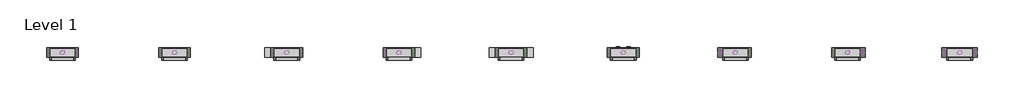
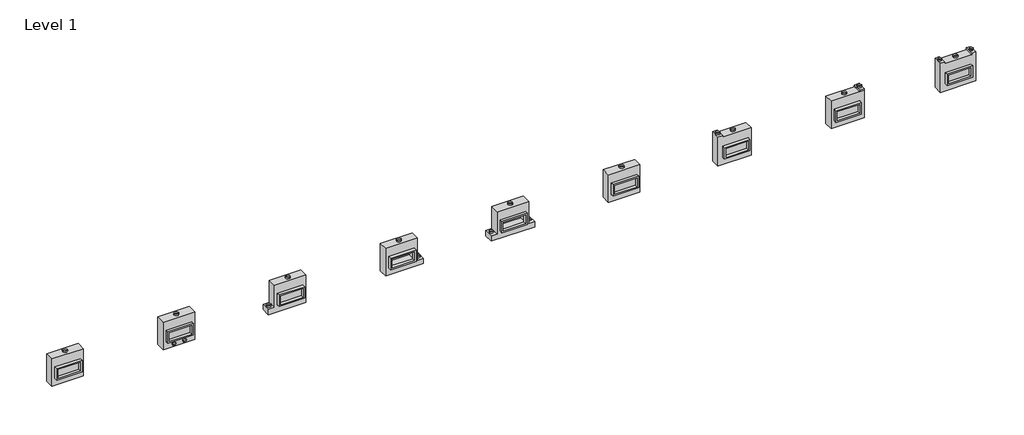
# One storey: 32 proxies.
"""IFC4 building model written with IfcOpenShell, lengths in millimetres."""

import ifcopenshell
import ifcopenshell.guid

model = None  # the IFC model being written
_history = None  # IfcOwnerHistory: only IFC2X3 demands one
_inside = {}  # id of a spatial element -> (the spatial element, [elements in it])
_under = {}  # id of a project, library or spatial element -> (it, [spatial elements below it])
_declared = {}  # id of a project -> (the project, [libraries it declares])
_typed = {}  # id of a type object -> (the type object, [elements of that type])
_made_of = {}  # id of a material, layer set ... -> (it, [elements and type objects made of it])


def new_model(schema):
    """Start an empty IFC model of exactly this schema.

    Asked for "IFC4X3", IfcOpenShell would pick the latest addendum, in which some entities
    have other attributes; the version numbers below select the first issue.
    IFC2X3 requires an IfcOwnerHistory on every rooted entity: one is made here for all.
    """
    global model, _history
    if schema == "IFC4X3":
        model = ifcopenshell.file(schema_version=(4, 3, 0, 0))
    else:
        model = ifcopenshell.file(schema=schema)
    _inside.clear()
    _under.clear()
    _declared.clear()
    _typed.clear()
    _made_of.clear()
    _history = None
    if model.schema == "IFC2X3":
        org = make("IfcOrganization", Name="unknown")
        user = make(
            "IfcPersonAndOrganization",
            ThePerson=make("IfcPerson", FamilyName="unknown"),
            TheOrganization=org,
        )
        app = make(
            "IfcApplication",
            ApplicationDeveloper=org,
            Version="unknown",
            ApplicationFullName="unknown",
            ApplicationIdentifier="unknown",
        )
        _history = make(
            "IfcOwnerHistory",
            OwningUser=user,
            OwningApplication=app,
            ChangeAction="ADDED",
            CreationDate=0,
        )
    return model


def make(cls, **values):
    """One entity of the class cls with the attributes given. An attribute that is None is left unset."""
    return model.create_entity(
        cls, **{name: value for name, value in values.items() if value is not None}
    )


def rooted(cls, **values):
    """An entity with a GlobalId (a new one), such as an element, a storey or a relation."""
    return make(cls, GlobalId=ifcopenshell.guid.new(), OwnerHistory=_history, **values)


def si_unit(unit_type, name, prefix=None):
    """IfcSIUnit, for example si_unit("LENGTHUNIT", "METRE", prefix="MILLI")."""
    return make("IfcSIUnit", UnitType=unit_type, Prefix=prefix, Name=name)


def assignment(units):
    """IfcUnitAssignment: the units of a project."""
    return None if units is None else make("IfcUnitAssignment", Units=units)


def point(xyz):
    """IfcCartesianPoint."""
    return None if xyz is None else make("IfcCartesianPoint", Coordinates=xyz)


def direction(xyz):
    """IfcDirection."""
    return None if xyz is None else make("IfcDirection", DirectionRatios=xyz)


def frame(location, z_axis=None, x_axis=None):
    """IfcAxis2Placement3D, a coordinate frame: its origin and axes. An axis left out is left unset."""
    return make(
        "IfcAxis2Placement3D",
        Location=point(location),
        Axis=direction(z_axis),
        RefDirection=direction(x_axis),
    )


def frame_2d(location, x_axis=None):
    """IfcAxis2Placement2D, a coordinate frame in the plane: its origin and x axis."""
    return make(
        "IfcAxis2Placement2D", Location=point(location), RefDirection=direction(x_axis)
    )


def origin():
    """The frame at (0, 0, 0) with its axes left unset."""
    return frame((0.0, 0.0, 0.0))


def origin_with_axes():
    """The frame at (0, 0, 0) with the z axis (0, 0, 1) and the x axis (1, 0, 0) written out."""
    return frame((0.0, 0.0, 0.0), z_axis=(0.0, 0.0, 1.0), x_axis=(1.0, 0.0, 0.0))


def origin_2d():
    """The frame at (0, 0) in the plane with its x axis left unset."""
    return frame_2d((0.0, 0.0))


def place(relative_to, where):
    """IfcLocalPlacement: puts the frame where relative to a parent placement (None: the world)."""
    return make(
        "IfcLocalPlacement", PlacementRelTo=relative_to, RelativePlacement=where
    )


def context(
    kind, dimensions, precision=None, world=None, true_north=None, identifier=None
):
    """IfcGeometricRepresentationContext, for example the 3D "Model" context."""
    return make(
        "IfcGeometricRepresentationContext",
        ContextIdentifier=identifier,
        ContextType=kind,
        CoordinateSpaceDimension=dimensions,
        Precision=precision,
        WorldCoordinateSystem=world,
        TrueNorth=true_north,
    )


def project(units=None, contexts=None):
    """IfcProject with its units and contexts."""
    return rooted(
        "IfcProject",
        Name="project",
        RepresentationContexts=contexts,
        UnitsInContext=assignment(units),
    )


def spatial(cls, under=None, at=None, **own):
    """A site, building, storey or space (cls), placed at a placement, below another one or the project."""
    s = rooted(cls, ObjectPlacement=at, **own)
    if under is not None:
        _under.setdefault(under.id(), (under, []))[1].append(s)
    return s


def polyline(points):
    """IfcPolyline through the points."""
    return make("IfcPolyline", Points=[point(p) for p in points])


def circle_curve(where, radius):
    """IfcCircle in the frame where."""
    return make("IfcCircle", Position=where, Radius=radius)


def trimmed(basis, trim1, trim2, sense, master):
    """IfcTrimmedCurve: the piece of a basis curve between two trims."""
    return make(
        "IfcTrimmedCurve",
        BasisCurve=basis,
        Trim1=trim1,
        Trim2=trim2,
        SenseAgreement=sense,
        MasterRepresentation=master,
    )


def segment(curve, same_sense, transition):
    """IfcCompositeCurveSegment."""
    return make(
        "IfcCompositeCurveSegment",
        Transition=transition,
        SameSense=same_sense,
        ParentCurve=curve,
    )


def composite_curve(segments, self_intersect=None):
    """IfcCompositeCurve: segments joined end to end."""
    return make("IfcCompositeCurve", Segments=segments, SelfIntersect=self_intersect)


def outline(outer, holes=None, kind="AREA"):
    """IfcArbitraryClosedProfileDef: a profile drawn as a closed curve; with holes, ...WithVoids."""
    if holes is None:
        return make("IfcArbitraryClosedProfileDef", ProfileType=kind, OuterCurve=outer)
    return make(
        "IfcArbitraryProfileDefWithVoids",
        ProfileType=kind,
        OuterCurve=outer,
        InnerCurves=holes,
    )


def extrude(swept, where, along, depth):
    """IfcExtrudedAreaSolid: the profile swept, set in the frame where, extruded along a direction by depth."""
    return make(
        "IfcExtrudedAreaSolid",
        SweptArea=swept,
        Position=where,
        ExtrudedDirection=direction(along),
        Depth=depth,
    )


def faces_of(points, faces, orient=None, outer=None):
    """IfcFace entities. A face is a list of loops; a loop is a list of indices into points, from 0.

    orient and outer hold one flag for each loop. By default every Orientation is true, the
    first loop of a face is its IfcFaceOuterBound and the others are IfcFaceBound.
    """
    made = []
    for i, loops in enumerate(faces):
        bounds = []
        for j, loop in enumerate(loops):
            is_outer = j == 0 if outer is None else outer[i][j]
            bounds.append(
                make(
                    "IfcFaceOuterBound" if is_outer else "IfcFaceBound",
                    Bound=make("IfcPolyLoop", Polygon=[points[k] for k in loop]),
                    Orientation=True if orient is None else orient[i][j],
                )
            )
        made.append(make("IfcFace", Bounds=bounds))
    return made


def faceted_brep(points, faces, orient=None, outer=None, voids=None):
    """IfcFacetedBrep: a solid bounded by flat faces; with voids (closed shells), ...WithVoids."""
    shared = [point(p) for p in points]
    hull = make("IfcClosedShell", CfsFaces=faces_of(shared, faces, orient, outer))
    if voids is None:
        return make("IfcFacetedBrep", Outer=hull)
    return make(
        "IfcFacetedBrepWithVoids",
        Outer=hull,
        Voids=[
            make(cls, CfsFaces=faces_of(shared, fs, o, b)) for cls, fs, o, b in voids
        ],
    )


def shape(context_of_items, identifier, shape_type, items):
    """IfcShapeRepresentation: the items that make up one representation, for example the "Body"."""
    return make(
        "IfcShapeRepresentation",
        ContextOfItems=context_of_items,
        RepresentationIdentifier=identifier,
        RepresentationType=shape_type,
        Items=items,
    )


def source(mapping_origin, context_of_items, identifier, shape_type, items):
    """IfcRepresentationMap: a shape defined once, which mapped items show again and again."""
    return make(
        "IfcRepresentationMap",
        MappingOrigin=mapping_origin,
        MappedRepresentation=shape(context_of_items, identifier, shape_type, items),
    )


def transform(
    local_origin,
    x_axis=None,
    y_axis=None,
    z_axis=None,
    scale=None,
    scale2=None,
    scale3=None,
    uniform=True,
):
    """IfcCartesianTransformationOperator3D, or its non-uniform kind. x_axis, y_axis, z_axis: its Axis1, 2, 3."""
    if uniform:
        return make(
            "IfcCartesianTransformationOperator3D",
            Axis1=direction(x_axis),
            Axis2=direction(y_axis),
            LocalOrigin=point(local_origin),
            Scale=scale,
            Axis3=direction(z_axis),
        )
    return make(
        "IfcCartesianTransformationOperator3DnonUniform",
        Axis1=direction(x_axis),
        Axis2=direction(y_axis),
        LocalOrigin=point(local_origin),
        Scale=scale,
        Axis3=direction(z_axis),
        Scale2=scale2,
        Scale3=scale3,
    )


def mapped(mapping_source, mapping_target):
    """IfcMappedItem: shows the shape of a source again, moved by a transform."""
    return make(
        "IfcMappedItem", MappingSource=mapping_source, MappingTarget=mapping_target
    )


def made_of(thing, what):
    """Note that an element or type object is made of a material, layer set ...; save() writes the relation."""
    if what is not None:
        _made_of.setdefault(what.id(), (what, []))[1].append(thing)
    return thing


def element(
    cls,
    number,
    at=None,
    inside=None,
    cuts=None,
    type_object=None,
    material=None,
    context=None,
    identifier="Body",
    shape_type=None,
    held_by="IfcProductDefinitionShape",
    body=None,
    shapes=None,
    **own,
):
    """One element of the class cls, such as IfcWall. Its Tag is "e" and its number.

    at: its placement. inside: the storey or other place that contains it. cuts: it is an
    opening in that element (IfcRelVoidsElement). A single representation is given by context,
    identifier, shape_type and body (its items); several are given by shapes. held_by: the class
    of the entity that holds the representations. save() writes the other relations.
    """
    e = rooted(cls, Tag="e%d" % number, ObjectPlacement=at, **own)
    if body is not None:
        shapes = [shape(context, identifier, shape_type, body)]
    if shapes is not None:
        e.Representation = make(held_by, Representations=shapes)
    if inside is not None:
        _inside.setdefault(inside.id(), (inside, []))[1].append(e)
    if cuts is not None:
        rooted(
            "IfcRelVoidsElement", RelatingBuildingElement=cuts, RelatedOpeningElement=e
        )
    if type_object is not None:
        _typed.setdefault(type_object.id(), (type_object, []))[1].append(e)
    return made_of(e, material)


def aggregate(whole, parts):
    """IfcRelAggregates: a whole, such as a stair, and the parts it consists of."""
    return rooted("IfcRelAggregates", RelatingObject=whole, RelatedObjects=parts)


def save(model, path):
    """Write the relations noted so far, then the file.

    IfcRelAggregates (storeys below a building ...), IfcRelContainedInSpatialStructure (elements
    in a storey), IfcRelDefinesByType, IfcRelAssociatesMaterial and IfcRelDeclares: one each for
    every whole, place, type object, material and project.
    """
    for whole, parts in _under.values():
        aggregate(whole, parts)
    for where, things in _inside.values():
        rooted(
            "IfcRelContainedInSpatialStructure",
            RelatedElements=things,
            RelatingStructure=where,
        )
    for kind, things in _typed.values():
        rooted("IfcRelDefinesByType", RelatedObjects=things, RelatingType=kind)
    for what, things in _made_of.values():
        rooted("IfcRelAssociatesMaterial", RelatedObjects=things, RelatingMaterial=what)
    for by, libraries in _declared.values():
        rooted("IfcRelDeclares", RelatingContext=by, RelatedDefinitions=libraries)
    model.write(path)


def as_specified_1095a64f(model_context):
    return source(origin(), model_context, "Body", "SolidModel", [
        extrude(outline(polyline([(698.5, 273.05), (698.5, -387.35), (-698.5, -387.35), (-698.5, 273.05), (698.5, 273.05)]), holes=[polyline([(609.6, 196.85), (-609.6, 196.85), (-609.6, -311.15), (609.6, -311.15), (609.6, 196.85)])]), frame((0.0, 0.0, -25.4), z_axis=(0.0, 0.0, 1.0), x_axis=(1.0, 0.0, 0.0)), (0.0, 0.0, 1.0), 165.1),
        extrude(outline(polyline([(609.6, 196.85), (609.6, -311.15), (-609.6, -311.15), (-609.6, 196.85), (609.6, 196.85)])), frame((0.0, 0.0, -30.3609375), z_axis=(0.0, 0.0, 1.0), x_axis=(1.0, 0.0, 0.0)), (0.0, 0.0, 1.0), 4.9609375),
        faceted_brep([(965.2, -793.75, -523.875), (-965.2, -793.75, -523.875), (-965.2, 895.35, -523.875), (-736.6, 895.35, -523.875), (-736.6, 793.75, -523.875), (736.6, 793.75, -523.875), (736.6, 895.35, -523.875), (965.2, 895.35, -523.875), (-965.2, -793.75, -25.4), (965.2, -793.75, -25.4), (965.2, 895.35, -25.4), (736.6, 895.35, -25.4), (736.6, 793.75, -25.4), (-736.6, 793.75, -25.4), (-736.6, 895.35, -25.4), (-965.2, 895.35, -25.4), (-698.5, -387.35, -25.4), (-698.5, 273.05, -25.4), (698.5, 273.05, -25.4), (698.5, -387.35, -25.4), (698.5, 273.05, -498.475), (-698.5, 273.05, -498.475), (-698.5, -387.35, -498.475), (698.5, -387.35, -498.475)], [[[0, 1, 2, 3, 4, 5, 6, 7]], [[8, 9, 10, 11, 12, 13, 14, 15], [16, 17, 18, 19]], [[4, 13, 12, 5]], [[1, 8, 15, 2]], [[10, 9, 0, 7]], [[20, 21, 22, 23]], [[22, 21, 17, 16]], [[21, 20, 18, 17]], [[20, 23, 19, 18]], [[16, 19, 23, 22]], [[1, 0, 9, 8]], [[4, 3, 14, 13]], [[3, 2, 15, 14]], [[6, 5, 12, 11]], [[7, 6, 11, 10]]]),
    ])


def as_specified_d8542fd7(model_context):
    return source(origin(), model_context, "Body", "SolidModel", [
        extrude(outline(polyline([(698.5, 273.05), (698.5, -387.35), (-698.5, -387.35), (-698.5, 273.05), (698.5, 273.05)]), holes=[polyline([(609.6, 196.85), (-609.6, 196.85), (-609.6, -311.15), (609.6, -311.15), (609.6, 196.85)])]), frame((0.0, 0.0, -25.4), z_axis=(0.0, 0.0, 1.0), x_axis=(1.0, 0.0, 0.0)), (0.0, 0.0, 1.0), 165.1),
        extrude(outline(polyline([(609.6, 196.85), (609.6, -311.15), (-609.6, -311.15), (-609.6, 196.85), (609.6, 196.85)])), frame((0.0, 0.0, -30.3609375), z_axis=(0.0, 0.0, 1.0), x_axis=(1.0, 0.0, 0.0)), (0.0, 0.0, 1.0), 4.9609375),
        faceted_brep([(863.6, -793.75, -523.875), (-965.2, -793.75, -523.875), (-965.2, 895.35, -523.875), (-698.5, 895.35, -523.875), (-698.5, 793.75, -523.875), (863.6, 793.75, -523.875), (-965.2, -793.75, -25.4), (863.6, -793.75, -25.4), (863.6, 793.75, -25.4), (-698.5, 793.75, -25.4), (-698.5, 895.35, -25.4), (-965.2, 895.35, -25.4), (-698.5, -387.35, -25.4), (-698.5, 273.05, -25.4), (698.5, 273.05, -25.4), (698.5, -387.35, -25.4), (698.5, 273.05, -498.475), (-698.5, 273.05, -498.475), (-698.5, -387.35, -498.475), (698.5, -387.35, -498.475)], [[[0, 1, 2, 3, 4, 5]], [[6, 7, 8, 9, 10, 11], [12, 13, 14, 15]], [[8, 5, 4, 9]], [[2, 1, 6, 11]], [[5, 8, 7, 0]], [[16, 17, 18, 19]], [[18, 17, 13, 12]], [[17, 16, 14, 13]], [[16, 19, 15, 14]], [[12, 15, 19, 18]], [[1, 0, 7, 6]], [[4, 3, 10, 9]], [[3, 2, 11, 10]]]),
    ])


def as_specified_e49d6c37(model_context):
    return source(origin(), model_context, "Body", "SolidModel", [
        extrude(outline(polyline([(698.5, 273.05), (698.5, -387.35), (-698.5, -387.35), (-698.5, 273.05), (698.5, 273.05)]), holes=[polyline([(609.6, 196.85), (-609.6, 196.85), (-609.6, -311.15), (609.6, -311.15), (609.6, 196.85)])]), frame((0.0, 0.0, -25.4), z_axis=(0.0, 0.0, 1.0), x_axis=(1.0, 0.0, 0.0)), (0.0, 0.0, 1.0), 165.1),
        extrude(outline(polyline([(698.5, 793.75), (698.5, 895.35), (965.2, 895.35), (965.2, 793.75), (698.5, 793.75)])), frame((0.0, 0.0, -523.875), z_axis=(0.0, 0.0, 1.0), x_axis=(1.0, 0.0, 0.0)), (0.0, 0.0, 1.0), 498.475),
        extrude(outline(polyline([(609.6, 196.85), (609.6, -311.15), (-609.6, -311.15), (-609.6, 196.85), (609.6, 196.85)])), frame((0.0, 0.0, -30.3609375), z_axis=(0.0, 0.0, 1.0), x_axis=(1.0, 0.0, 0.0)), (0.0, 0.0, 1.0), 4.9609375),
        faceted_brep([(965.2, -793.75, -523.875), (-863.6, -793.75, -523.875), (-863.6, 793.75, -523.875), (965.2, 793.75, -523.875), (965.2, 793.75, -25.4), (-863.6, 793.75, -25.4), (-863.6, -793.75, -25.4), (965.2, -793.75, -25.4), (698.5, 273.05, -25.4), (698.5, -387.35, -25.4), (-698.5, -387.35, -25.4), (-698.5, 273.05, -25.4), (698.5, 273.05, -498.475), (-698.5, 273.05, -498.475), (-698.5, -387.35, -498.475), (698.5, -387.35, -498.475)], [[[0, 1, 2, 3]], [[4, 5, 6, 7], [8, 9, 10, 11]], [[3, 2, 5, 4]], [[2, 1, 6, 5]], [[0, 3, 4, 7]], [[12, 13, 14, 15]], [[14, 13, 11, 10]], [[13, 12, 8, 11]], [[12, 15, 9, 8]], [[10, 9, 15, 14]], [[1, 0, 7, 6]]]),
    ])


def as_specified_7ef03d79(model_context):
    return source(origin(), model_context, "Body", "SolidModel", [
        extrude(outline(polyline([(698.5, 273.05), (698.5, -387.35), (-698.5, -387.35), (-698.5, 273.05), (698.5, 273.05)]), holes=[polyline([(609.6, 196.85), (-609.6, 196.85), (-609.6, -311.15), (609.6, -311.15), (609.6, 196.85)])]), frame((0.0, 0.0, -25.4), z_axis=(0.0, 0.0, 1.0), x_axis=(1.0, 0.0, 0.0)), (0.0, 0.0, 1.0), 165.1),
        extrude(outline(polyline([(609.6, 196.85), (609.6, -311.15), (-609.6, -311.15), (-609.6, 196.85), (609.6, 196.85)])), frame((0.0, 0.0, -30.3609375), z_axis=(0.0, 0.0, 1.0), x_axis=(1.0, 0.0, 0.0)), (0.0, 0.0, 1.0), 4.9609375),
        faceted_brep([(863.6, -793.75, -523.875), (-863.6, -793.75, -523.875), (-863.6, 793.75, -523.875), (863.6, 793.75, -523.875), (863.6, 793.75, -25.4), (-863.6, 793.75, -25.4), (-863.6, -793.75, -25.4), (863.6, -793.75, -25.4), (698.5, 273.05, -25.4), (698.5, -387.35, -25.4), (-698.5, -387.35, -25.4), (-698.5, 273.05, -25.4), (698.5, 273.05, -498.475), (-698.5, 273.05, -498.475), (-698.5, -387.35, -498.475), (698.5, -387.35, -498.475)], [[[0, 1, 2, 3]], [[4, 5, 6, 7], [8, 9, 10, 11]], [[3, 2, 5, 4]], [[2, 1, 6, 5]], [[0, 3, 4, 7]], [[12, 13, 14, 15]], [[14, 13, 11, 10]], [[13, 12, 8, 11]], [[12, 15, 9, 8]], [[10, 9, 15, 14]], [[1, 0, 7, 6]]]),
    ])


def as_specified_c3046e81(model_context):
    return source(origin(), model_context, "Body", "SolidModel", [
        extrude(outline(polyline([(698.5, 273.05), (698.5, -387.35), (-698.5, -387.35), (-698.5, 273.05), (698.5, 273.05)]), holes=[polyline([(609.6, 196.85), (-609.6, 196.85), (-609.6, -311.15), (609.6, -311.15), (609.6, 196.85)])]), frame((0.0, 0.0, -25.4), z_axis=(0.0, 0.0, 1.0), x_axis=(1.0, 0.0, 0.0)), (0.0, 0.0, 1.0), 165.1),
        faceted_brep([(-863.6, 793.75, -523.875), (863.6, 793.75, -523.875), (863.6, -488.95, -523.875), (1193.8, -488.95, -523.875), (1193.8, -793.75, -523.875), (-1193.8, -793.75, -523.875), (-1193.8, -488.95, -523.875), (-863.6, -488.95, -523.875), (863.6, 793.75, -25.4), (-863.6, 793.75, -25.4), (-863.6, -488.95, -25.4), (-1193.8, -488.95, -25.4), (-1193.8, -793.75, -25.4), (1193.8, -793.75, -25.4), (1193.8, -488.95, -25.4), (863.6, -488.95, -25.4), (-698.5, -387.35, -25.4), (-698.5, 273.05, -25.4), (698.5, 273.05, -25.4), (698.5, -387.35, -25.4), (698.5, 273.05, -498.475), (-698.5, 273.05, -498.475), (-698.5, -387.35, -498.475), (698.5, -387.35, -498.475)], [[[0, 1, 2, 3, 4, 5, 6, 7]], [[8, 9, 10, 11, 12, 13, 14, 15], [16, 17, 18, 19]], [[1, 0, 9, 8]], [[9, 0, 7, 10]], [[1, 8, 15, 2]], [[20, 21, 22, 23]], [[22, 21, 17, 16]], [[21, 20, 18, 17]], [[20, 23, 19, 18]], [[23, 22, 16, 19]], [[5, 4, 13, 12]], [[3, 2, 15, 14]], [[4, 3, 14, 13]], [[7, 6, 11, 10]], [[6, 5, 12, 11]]]),
    ])


def as_specified_9fea9c3b(model_context):
    return source(origin(), model_context, "Body", "SolidModel", [
        extrude(outline(polyline([(698.5, 273.05), (698.5, -387.35), (-698.5, -387.35), (-698.5, 273.05), (698.5, 273.05)]), holes=[polyline([(609.6, 196.85), (-609.6, 196.85), (-609.6, -311.15), (609.6, -311.15), (609.6, 196.85)])]), frame((0.0, 0.0, -25.4), z_axis=(0.0, 0.0, 1.0), x_axis=(1.0, 0.0, 0.0)), (0.0, 0.0, 1.0), 165.1),
        extrude(outline(polyline([(609.6, 196.85), (609.6, -311.15), (-609.6, -311.15), (-609.6, 196.85), (609.6, 196.85)])), frame((0.0, 0.0, -30.3609375), z_axis=(0.0, 0.0, 1.0), x_axis=(1.0, 0.0, 0.0)), (0.0, 0.0, 1.0), 4.9609375),
        faceted_brep([(-863.6, 793.75, -523.875), (863.6, 793.75, -523.875), (863.6, -793.75, -523.875), (-1193.8, -793.75, -523.875), (-1193.8, -488.95, -523.875), (-863.6, -488.95, -523.875), (863.6, 793.75, -25.4), (-863.6, 793.75, -25.4), (-863.6, -488.95, -25.4), (-1193.8, -488.95, -25.4), (-1193.8, -793.75, -25.4), (863.6, -793.75, -25.4), (-698.5, -387.35, -25.4), (-698.5, 273.05, -25.4), (698.5, 273.05, -25.4), (698.5, -387.35, -25.4), (698.5, 273.05, -498.475), (-698.5, 273.05, -498.475), (-698.5, -387.35, -498.475), (698.5, -387.35, -498.475)], [[[0, 1, 2, 3, 4, 5]], [[6, 7, 8, 9, 10, 11], [12, 13, 14, 15]], [[1, 0, 7, 6]], [[7, 0, 5, 8]], [[1, 6, 11, 2]], [[16, 17, 18, 19]], [[18, 17, 13, 12]], [[17, 16, 14, 13]], [[16, 19, 15, 14]], [[12, 15, 19, 18]], [[3, 2, 11, 10]], [[4, 9, 8, 5]], [[4, 3, 10, 9]]]),
    ])


def as_specified_28d78492(model_context):
    return source(origin(), model_context, "Body", "SolidModel", [
        extrude(outline(polyline([(698.5, 273.05), (698.5, -387.35), (-698.5, -387.35), (-698.5, 273.05), (698.5, 273.05)]), holes=[polyline([(609.6, 196.85), (-609.6, 196.85), (-609.6, -311.15), (609.6, -311.15), (609.6, 196.85)])]), frame((0.0, 0.0, -25.4), z_axis=(0.0, 0.0, 1.0), x_axis=(1.0, 0.0, 0.0)), (0.0, 0.0, 1.0), 165.1),
        faceted_brep([(-863.6, 793.75, -523.875), (863.6, 793.75, -523.875), (863.6, -488.95, -523.875), (1193.8, -488.95, -523.875), (1193.8, -793.75, -523.875), (-863.6, -793.75, -523.875), (863.6, 793.75, -25.4), (-863.6, 793.75, -25.4), (-863.6, -793.75, -25.4), (1193.8, -793.75, -25.4), (1193.8, -488.95, -25.4), (863.6, -488.95, -25.4), (-698.5, -387.35, -25.4), (-698.5, 273.05, -25.4), (698.5, 273.05, -25.4), (698.5, -387.35, -25.4), (698.5, 273.05, -498.475), (-698.5, 273.05, -498.475), (-698.5, -387.35, -498.475), (698.5, -387.35, -498.475)], [[[0, 1, 2, 3, 4, 5]], [[6, 7, 8, 9, 10, 11], [12, 13, 14, 15]], [[1, 0, 7, 6]], [[7, 0, 5, 8]], [[1, 6, 11, 2]], [[16, 17, 18, 19]], [[18, 17, 13, 12]], [[17, 16, 14, 13]], [[16, 19, 15, 14]], [[19, 18, 12, 15]], [[5, 4, 9, 8]], [[3, 2, 11, 10]], [[4, 3, 10, 9]]]),
    ])


def duct_dia_2c296c8a(model_context):
    return source(origin(), model_context, "Body", "SweptSolid", [
        extrude(outline(composite_curve([segment(trimmed(circle_curve(origin_2d(), 125.4621094), [point((-125.4621094, 0.0))], [point((125.4621094, 0.0))], False, "CARTESIAN"), True, "CONTINUOUS"), segment(trimmed(circle_curve(origin_2d(), 125.4621094), [point((125.4621094, 0.0))], [point((-125.4621094, 0.0))], False, "CARTESIAN"), True, "CONTINUOUS")], self_intersect=False), holes=[composite_curve([segment(trimmed(circle_curve(origin_2d(), 123.8746094), [point((-123.8746094, 0.0))], [point((123.8746094, 0.0))], True, "CARTESIAN"), True, "CONTINUOUS"), segment(trimmed(circle_curve(origin_2d(), 123.8746094), [point((123.8746094, 0.0))], [point((-123.8746094, 0.0))], True, "CARTESIAN"), True, "CONTINUOUS")], self_intersect=False)]), origin_with_axes(), (0.0, 0.0, 1.0), 76.2),
    ])


def duct_dia_2f6b1a6e(model_context):
    return source(origin(), model_context, "Body", "SweptSolid", [
        extrude(outline(composite_curve([segment(trimmed(circle_curve(origin_2d(), 100.0621094), [point((-100.0621094, 0.0))], [point((100.0621094, 0.0))], False, "CARTESIAN"), True, "CONTINUOUS"), segment(trimmed(circle_curve(origin_2d(), 100.0621094), [point((100.0621094, 0.0))], [point((-100.0621094, 0.0))], False, "CARTESIAN"), True, "CONTINUOUS")], self_intersect=False), holes=[composite_curve([segment(trimmed(circle_curve(origin_2d(), 98.4746094), [point((-98.4746094, 0.0))], [point((98.4746094, 0.0))], True, "CARTESIAN"), True, "CONTINUOUS"), segment(trimmed(circle_curve(origin_2d(), 98.4746094), [point((98.4746094, 0.0))], [point((-98.4746094, 0.0))], True, "CARTESIAN"), True, "CONTINUOUS")], self_intersect=False)]), origin_with_axes(), (0.0, 0.0, 1.0), 76.2),
    ])


def proxy_c1ba4f62(model_context):
    return source(origin(), model_context, "Body", "SweptSolid", [
        extrude(outline(composite_curve([segment(trimmed(circle_curve(origin_2d(), 103.1875), [point((-103.1875, 0.0))], [point((103.1875, 0.0))], False, "CARTESIAN"), True, "CONTINUOUS"), segment(trimmed(circle_curve(origin_2d(), 103.1875), [point((103.1875, 0.0))], [point((-103.1875, 0.0))], False, "CARTESIAN"), True, "CONTINUOUS")], self_intersect=False), holes=[composite_curve([segment(trimmed(circle_curve(origin_2d(), 101.6), [point((-101.6, 0.0))], [point((101.6, 0.0))], True, "CARTESIAN"), True, "CONTINUOUS"), segment(trimmed(circle_curve(origin_2d(), 101.6), [point((101.6, 0.0))], [point((-101.6, 0.0))], True, "CARTESIAN"), True, "CONTINUOUS")], self_intersect=False)]), origin_with_axes(), (0.0, 0.0, 1.0), 6.35),
    ])


def proxy_d8bd2570(model_context):
    return source(origin(), model_context, "Body", "SweptSolid", [
        extrude(outline(composite_curve([segment(trimmed(circle_curve(origin_2d(), 123.825), [point((-123.825, 0.0))], [point((123.825, 0.0))], False, "CARTESIAN"), True, "CONTINUOUS"), segment(trimmed(circle_curve(origin_2d(), 123.825), [point((123.825, 0.0))], [point((-123.825, 0.0))], False, "CARTESIAN"), True, "CONTINUOUS")], self_intersect=False), holes=[composite_curve([segment(trimmed(circle_curve(origin_2d(), 122.2375), [point((-122.2375, 0.0))], [point((122.2375, 0.0))], True, "CARTESIAN"), True, "CONTINUOUS"), segment(trimmed(circle_curve(origin_2d(), 122.2375), [point((122.2375, 0.0))], [point((-122.2375, 0.0))], True, "CARTESIAN"), True, "CONTINUOUS")], self_intersect=False)]), origin_with_axes(), (0.0, 0.0, 1.0), 76.2),
    ])


model = new_model("IFC4")

# Units and contexts
model_context = context("Model", 3, world=origin())
ifc_project = project(units=[si_unit("LENGTHUNIT", "METRE", prefix="MILLI")], contexts=[model_context])

# Site, building, storey
site = spatial("IfcSite", under=ifc_project)
building = spatial("IfcBuilding", under=site)
storey = spatial("IfcBuildingStorey", under=building, Name="Level 1", Elevation=0.0)

# Proxies
placement = place(None, origin())
as_specified_shape = as_specified_1095a64f(model_context)
element("IfcBuildingElementProxy", 1, Name="As Specified", ObjectType="As Specified", at=placement, inside=storey, context=model_context, shape_type="MappedRepresentation", body=[
    mapped(as_specified_shape, transform((34908.0574402, 1616.7712992, 1219.2), x_axis=(1.0, 0.0, 0.0), y_axis=(0.0, 0.0, 1.0), z_axis=(0.0, -1.0, 0.0))),
])
as_specified_2_shape = as_specified_d8542fd7(model_context)
element("IfcBuildingElementProxy", 2, Name="As Specified", ObjectType="As Specified", at=placement, inside=storey, context=model_context, shape_type="MappedRepresentation", body=[
    mapped(as_specified_2_shape, transform((22716.0574402, 1616.7712992, 1219.2), x_axis=(1.0, 0.0, 0.0), y_axis=(0.0, 0.0, 1.0), z_axis=(0.0, -1.0, 0.0))),
])
as_specified_3_shape = as_specified_e49d6c37(model_context)
element("IfcBuildingElementProxy", 3, Name="As Specified", ObjectType="As Specified", at=placement, inside=storey, context=model_context, shape_type="MappedRepresentation", body=[
    mapped(as_specified_3_shape, transform((28812.0574402, 1616.7712992, 1219.2), x_axis=(1.0, 0.0, 0.0), y_axis=(0.0, 0.0, 1.0), z_axis=(0.0, -1.0, 0.0))),
])
as_specified_4_shape = as_specified_7ef03d79(model_context)
element("IfcBuildingElementProxy", 4, Name="As Specified", ObjectType="As Specified", at=placement, inside=storey, context=model_context, shape_type="MappedRepresentation", body=[
    mapped(as_specified_4_shape, transform((-13859.9425598, 1616.7712992, 1219.2), x_axis=(1.0, 0.0, 0.0), y_axis=(0.0, 0.0, 1.0), z_axis=(0.0, -1.0, 0.0))),
])
element("IfcBuildingElementProxy", 5, Name="As Specified", ObjectType="As Specified", at=placement, inside=storey, context=model_context, shape_type="MappedRepresentation", body=[
    mapped(as_specified_4_shape, transform((16620.0574402, 1616.7712992, 1219.2), x_axis=(1.0, 0.0, 0.0), y_axis=(0.0, 0.0, 1.0), z_axis=(0.0, -1.0, 0.0))),
])
element("IfcBuildingElementProxy", 6, Name="As Specified", ObjectType="As Specified", at=placement, inside=storey, context=model_context, shape_type="MappedRepresentation", body=[
    mapped(as_specified_4_shape, transform((-7763.9425598, 1616.7712992, 1219.2), x_axis=(1.0, 0.0, 0.0), y_axis=(0.0, 0.0, 1.0), z_axis=(0.0, -1.0, 0.0))),
])
as_specified_5_shape = as_specified_c3046e81(model_context)
element("IfcBuildingElementProxy", 7, Name="As Specified", ObjectType="As Specified", at=placement, inside=storey, context=model_context, shape_type="MappedRepresentation", body=[
    mapped(as_specified_5_shape, transform((10524.0574402, 1616.7712992, 1219.2), x_axis=(1.0, 0.0, 0.0), y_axis=(0.0, 0.0, 1.0), z_axis=(0.0, -1.0, 0.0))),
])
as_specified_6_shape = as_specified_9fea9c3b(model_context)
element("IfcBuildingElementProxy", 8, Name="As Specified", ObjectType="As Specified", at=placement, inside=storey, context=model_context, shape_type="MappedRepresentation", body=[
    mapped(as_specified_6_shape, transform((-1667.9425598, 1616.7712992, 1219.2), x_axis=(1.0, 0.0, 0.0), y_axis=(0.0, 0.0, 1.0), z_axis=(0.0, -1.0, 0.0))),
])
as_specified_7_shape = as_specified_28d78492(model_context)
element("IfcBuildingElementProxy", 9, Name="As Specified", ObjectType="As Specified", at=placement, inside=storey, context=model_context, shape_type="MappedRepresentation", body=[
    mapped(as_specified_7_shape, transform((4428.0574402, 1616.7712992, 1219.2), x_axis=(1.0, 0.0, 0.0), y_axis=(0.0, 0.0, 1.0), z_axis=(0.0, -1.0, 0.0))),
])
duct_dia_shape = duct_dia_2c296c8a(model_context)
element("IfcBuildingElementProxy", 10, Name="Duct Dia", ObjectType="Duct Dia", at=placement, inside=storey, context=model_context, shape_type="MappedRepresentation", body=[
    mapped(duct_dia_shape, transform((-2696.6425598, 1891.4087992, 730.25), x_axis=(1.0, 0.0, 0.0), y_axis=(0.0, 1.0, 0.0), z_axis=(0.0, 0.0, 1.0))),
])
element("IfcBuildingElementProxy", 11, Name="Duct Dia", ObjectType="Duct Dia", at=placement, inside=storey, context=model_context, shape_type="MappedRepresentation", body=[
    mapped(duct_dia_shape, transform((5456.7574402, 1891.4087992, 730.25), x_axis=(-1.0, 0.0, 0.0), y_axis=(0.0, -1.0, 0.0), z_axis=(0.0, 0.0, 1.0))),
])
element("IfcBuildingElementProxy", 12, Name="Duct Dia", ObjectType="Duct Dia", at=placement, inside=storey, context=model_context, shape_type="MappedRepresentation", body=[
    mapped(duct_dia_shape, transform((21884.2074402, 1891.4087992, 2114.55), x_axis=(1.0, 0.0, 0.0), y_axis=(0.0, 1.0, 0.0), z_axis=(0.0, 0.0, 1.0))),
])
element("IfcBuildingElementProxy", 13, Name="Duct Dia", ObjectType="Duct Dia", at=placement, inside=storey, context=model_context, shape_type="MappedRepresentation", body=[
    mapped(duct_dia_shape, transform((29643.9074402, 1891.4087992, 2114.55), x_axis=(-1.0, 0.0, 0.0), y_axis=(0.0, -1.0, 0.0), z_axis=(0.0, 0.0, 1.0))),
])
duct_dia_2_shape = duct_dia_2f6b1a6e(model_context)
element("IfcBuildingElementProxy", 14, Name="Duct Dia", ObjectType="Duct Dia", at=placement, inside=storey, context=model_context, shape_type="MappedRepresentation", body=[
    mapped(duct_dia_2_shape, transform((-8051.8092265, 1642.1712992, 603.25), x_axis=(-1.0, 0.0, 0.0), y_axis=(0.0, 0.0, -1.0), z_axis=(0.0, -1.0, 0.0))),
])
element("IfcBuildingElementProxy", 15, Name="Duct Dia", ObjectType="Duct Dia", at=placement, inside=storey, context=model_context, shape_type="MappedRepresentation", body=[
    mapped(duct_dia_2_shape, transform((-7476.0758932, 1642.1712992, 603.25), x_axis=(-1.0, 0.0, 0.0), y_axis=(0.0, 0.0, -1.0), z_axis=(0.0, -1.0, 0.0))),
])
element("IfcBuildingElementProxy", 16, Name="Duct Dia", ObjectType="Duct Dia", at=placement, inside=storey, context=model_context, shape_type="MappedRepresentation", body=[
    mapped(duct_dia_2_shape, transform((9495.3574402, 1891.4087992, 730.25), x_axis=(1.0, 0.0, 0.0), y_axis=(0.0, 1.0, 0.0), z_axis=(0.0, 0.0, 1.0))),
])
element("IfcBuildingElementProxy", 17, Name="Duct Dia", ObjectType="Duct Dia", at=placement, inside=storey, context=model_context, shape_type="MappedRepresentation", body=[
    mapped(duct_dia_2_shape, transform((34044.4574402, 1891.4087992, 2114.55), x_axis=(1.0, 0.0, 0.0), y_axis=(0.0, 1.0, 0.0), z_axis=(0.0, 0.0, 1.0))),
])
element("IfcBuildingElementProxy", 18, Name="Duct Dia", ObjectType="Duct Dia", at=placement, inside=storey, context=model_context, shape_type="MappedRepresentation", body=[
    mapped(duct_dia_2_shape, transform((11552.7574402, 1891.4087992, 730.25), x_axis=(-1.0, 0.0, 0.0), y_axis=(0.0, -1.0, 0.0), z_axis=(0.0, 0.0, 1.0))),
])
element("IfcBuildingElementProxy", 19, Name="Duct Dia", ObjectType="Duct Dia", at=placement, inside=storey, context=model_context, shape_type="MappedRepresentation", body=[
    mapped(duct_dia_2_shape, transform((16332.1907735, 2140.6462992, 603.25), x_axis=(-1.0, 0.0, 0.0), y_axis=(0.0, 0.0, 1.0), z_axis=(0.0, 1.0, 0.0))),
])
element("IfcBuildingElementProxy", 20, Name="Duct Dia", ObjectType="Duct Dia", at=placement, inside=storey, context=model_context, shape_type="MappedRepresentation", body=[
    mapped(duct_dia_2_shape, transform((16907.9241068, 2140.6462992, 603.25), x_axis=(-1.0, 0.0, 0.0), y_axis=(0.0, 0.0, 1.0), z_axis=(0.0, 1.0, 0.0))),
])
element("IfcBuildingElementProxy", 21, Name="Duct Dia", ObjectType="Duct Dia", at=placement, inside=storey, context=model_context, shape_type="MappedRepresentation", body=[
    mapped(duct_dia_2_shape, transform((35771.6574402, 1891.4087992, 2114.55), x_axis=(-1.0, 0.0, 0.0), y_axis=(0.0, -1.0, 0.0), z_axis=(0.0, 0.0, 1.0))),
])
proxy_shape = proxy_c1ba4f62(model_context)
element("IfcBuildingElementProxy", 22, Name="Duct Dia : 8 1/8\" Dia", ObjectType="Duct Dia : 8 1/8\" Dia", at=placement, inside=storey, context=model_context, shape_type="MappedRepresentation", body=[
    mapped(proxy_shape, transform((-14147.8092265, 1891.4087992, 425.45), x_axis=(1.0, 0.0, 0.0), y_axis=(0.0, -1.0, 0.0), z_axis=(0.0, 0.0, -1.0))),
])
element("IfcBuildingElementProxy", 23, Name="Duct Dia : 8 1/8\" Dia", ObjectType="Duct Dia : 8 1/8\" Dia", at=placement, inside=storey, context=model_context, shape_type="MappedRepresentation", body=[
    mapped(proxy_shape, transform((-13572.0758932, 1891.4087992, 425.45), x_axis=(1.0, 0.0, 0.0), y_axis=(0.0, -1.0, 0.0), z_axis=(0.0, 0.0, -1.0))),
])
proxy_2_shape = proxy_d8bd2570(model_context)
element("IfcBuildingElementProxy", 24, Name="Duct Dia : 9 3/4\" Dia.", ObjectType="Duct Dia : 9 3/4\" Dia.", at=placement, inside=storey, context=model_context, shape_type="MappedRepresentation", body=[
    mapped(proxy_2_shape, transform((-13859.9425598, 1891.4087992, 2012.95), x_axis=(1.0, 0.0, 0.0), y_axis=(0.0, 1.0, 0.0), z_axis=(0.0, 0.0, 1.0))),
])
element("IfcBuildingElementProxy", 25, Name="Duct Dia : 9 3/4\" Dia.", ObjectType="Duct Dia : 9 3/4\" Dia.", at=placement, inside=storey, context=model_context, shape_type="MappedRepresentation", body=[
    mapped(proxy_2_shape, transform((-7763.9425598, 1891.4087992, 2012.95), x_axis=(1.0, 0.0, 0.0), y_axis=(0.0, 1.0, 0.0), z_axis=(0.0, 0.0, 1.0))),
])
element("IfcBuildingElementProxy", 26, Name="Duct Dia : 9 3/4\" Dia.", ObjectType="Duct Dia : 9 3/4\" Dia.", at=placement, inside=storey, context=model_context, shape_type="MappedRepresentation", body=[
    mapped(proxy_2_shape, transform((-1667.9425598, 1891.4087992, 2012.95), x_axis=(1.0, 0.0, 0.0), y_axis=(0.0, 1.0, 0.0), z_axis=(0.0, 0.0, 1.0))),
])
element("IfcBuildingElementProxy", 27, Name="Duct Dia : 9 3/4\" Dia.", ObjectType="Duct Dia : 9 3/4\" Dia.", at=placement, inside=storey, context=model_context, shape_type="MappedRepresentation", body=[
    mapped(proxy_2_shape, transform((4428.0574402, 1891.4087992, 2012.95), x_axis=(1.0, 0.0, 0.0), y_axis=(0.0, 1.0, 0.0), z_axis=(0.0, 0.0, 1.0))),
])
element("IfcBuildingElementProxy", 28, Name="Duct Dia : 9 3/4\" Dia.", ObjectType="Duct Dia : 9 3/4\" Dia.", at=placement, inside=storey, context=model_context, shape_type="MappedRepresentation", body=[
    mapped(proxy_2_shape, transform((10524.0574402, 1891.4087992, 2012.95), x_axis=(1.0, 0.0, 0.0), y_axis=(0.0, 1.0, 0.0), z_axis=(0.0, 0.0, 1.0))),
])
element("IfcBuildingElementProxy", 29, Name="Duct Dia : 9 3/4\" Dia.", ObjectType="Duct Dia : 9 3/4\" Dia.", at=placement, inside=storey, context=model_context, shape_type="MappedRepresentation", body=[
    mapped(proxy_2_shape, transform((16620.0574402, 1891.4087992, 2012.95), x_axis=(1.0, 0.0, 0.0), y_axis=(0.0, 1.0, 0.0), z_axis=(0.0, 0.0, 1.0))),
])
element("IfcBuildingElementProxy", 30, Name="Duct Dia : 9 3/4\" Dia.", ObjectType="Duct Dia : 9 3/4\" Dia.", at=placement, inside=storey, context=model_context, shape_type="MappedRepresentation", body=[
    mapped(proxy_2_shape, transform((22716.0574402, 1891.4087992, 2012.95), x_axis=(1.0, 0.0, 0.0), y_axis=(0.0, 1.0, 0.0), z_axis=(0.0, 0.0, 1.0))),
])
element("IfcBuildingElementProxy", 31, Name="Duct Dia : 9 3/4\" Dia.", ObjectType="Duct Dia : 9 3/4\" Dia.", at=placement, inside=storey, context=model_context, shape_type="MappedRepresentation", body=[
    mapped(proxy_2_shape, transform((28812.0574402, 1891.4087992, 2012.95), x_axis=(1.0, 0.0, 0.0), y_axis=(0.0, 1.0, 0.0), z_axis=(0.0, 0.0, 1.0))),
])
element("IfcBuildingElementProxy", 32, Name="Duct Dia : 9 3/4\" Dia.", ObjectType="Duct Dia : 9 3/4\" Dia.", at=placement, inside=storey, context=model_context, shape_type="MappedRepresentation", body=[
    mapped(proxy_2_shape, transform((34908.0574402, 1891.4087992, 2012.95), x_axis=(1.0, 0.0, 0.0), y_axis=(0.0, 1.0, 0.0), z_axis=(0.0, 0.0, 1.0))),
])

save(model, "model.ifc")
